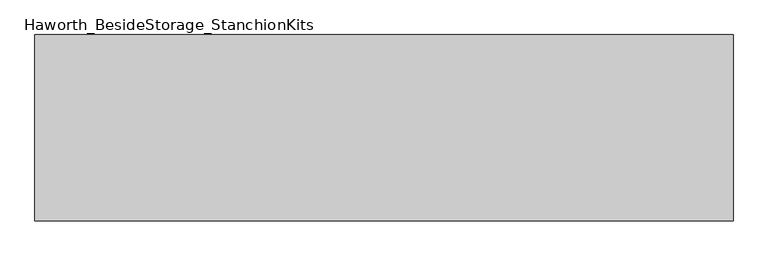
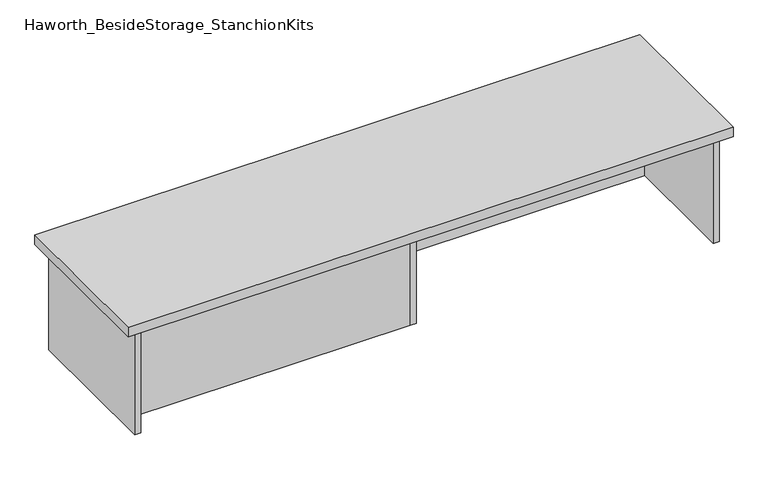
"""IFC4 building model written with IfcOpenShell, lengths in millimetres: furniture geometry, Haworth_BesideStorage_StanchionKits."""

from ifc_helpers import new_model, si_unit, frame, origin, place, context, project, spatial, polyline, outline, extrude, source, transform, mapped, element, save


def haworth_besidestorage_stanchionkits_21f0cbe1(model_context):
    return source(origin(), model_context, "Body", "SweptSolid", [
        extrude(outline(polyline([(923.925, 0.0), (923.925, -406.4), (-600.075, -406.4), (-600.075, 0.0), (923.925, 0.0)])), frame((0.0, 0.0, 711.2), z_axis=(0.0, 0.0, 1.0), x_axis=(1.0, 0.0, 0.0)), (0.0, 0.0, 1.0), 25.4),
        extrude(outline(polyline([(169.8625, -76.2), (882.65, -76.2), (882.65, -92.075), (169.8625, -92.075), (169.8625, -76.2)])), frame((0.0, 0.0, 431.8), z_axis=(0.0, 0.0, 1.0), x_axis=(1.0, 0.0, 0.0)), (0.0, 0.0, 1.0), 279.4),
        extrude(outline(polyline([(153.9875, -314.325), (153.9875, -330.2), (-558.8, -330.2), (-558.8, -314.325), (153.9875, -314.325)])), frame((0.0, 0.0, 431.8), z_axis=(0.0, 0.0, 1.0), x_axis=(1.0, 0.0, 0.0)), (0.0, 0.0, 1.0), 279.4),
        extrude(outline(polyline([(169.8625, -330.2), (153.9875, -330.2), (153.9875, -76.2), (169.8625, -76.2), (169.8625, -330.2)])), frame((0.0, 0.0, 431.8), z_axis=(0.0, 0.0, 1.0), x_axis=(1.0, 0.0, 0.0)), (0.0, 0.0, 1.0), 279.4),
        extrude(outline(polyline([(898.525, -390.525), (882.65, -390.525), (882.65, -15.875), (898.525, -15.875), (898.525, -390.525)])), frame((0.0, 0.0, 431.8), z_axis=(0.0, 0.0, 1.0), x_axis=(1.0, 0.0, 0.0)), (0.0, 0.0, 1.0), 279.4),
        extrude(outline(polyline([(-558.8, -390.525), (-574.675, -390.525), (-574.675, -15.875), (-558.8, -15.875), (-558.8, -390.525)])), frame((0.0, 0.0, 431.8), z_axis=(0.0, 0.0, 1.0), x_axis=(1.0, 0.0, 0.0)), (0.0, 0.0, 1.0), 279.4),
    ])


if __name__ == "__main__":
    model = new_model("IFC4")
    model_context = context("Model", 3, world=origin())
    ifc_project = project(units=[si_unit("LENGTHUNIT", "METRE", prefix="MILLI")], contexts=[model_context])
    site = spatial("IfcSite", under=ifc_project)
    building = spatial("IfcBuilding", under=site)
    placement = place(None, origin())
    haworth_besidestorage_stanchionkits_shape = haworth_besidestorage_stanchionkits_21f0cbe1(model_context)
    element("IfcFurniture", 1, ObjectType="Haworth_BesideStorage_StanchionKits", at=placement, inside=building, context=model_context, shape_type="MappedRepresentation", body=[
        mapped(haworth_besidestorage_stanchionkits_shape, transform((0.0, 0.0, 0.0), x_axis=(1.0, 0.0, 0.0), y_axis=(0.0, 1.0, 0.0), z_axis=(0.0, 0.0, 1.0))),
    ])
    save(model, "model.ifc")
